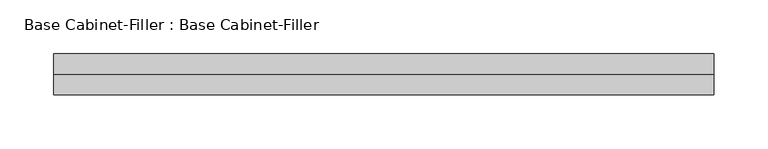
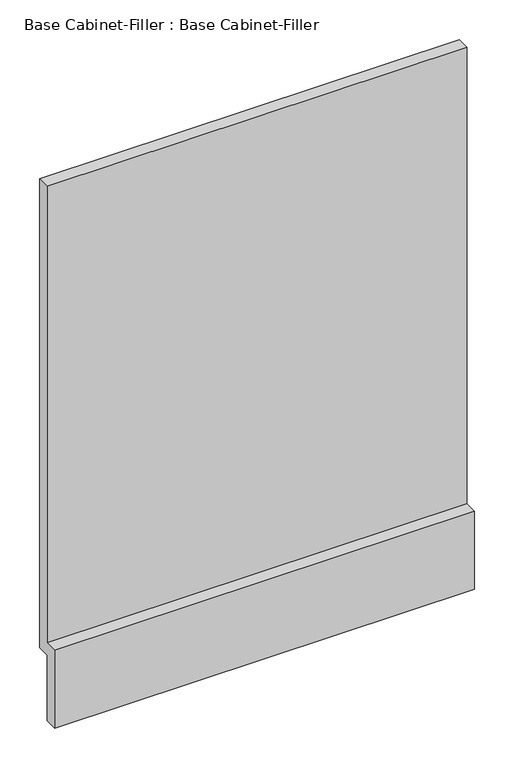
"""IFC4 building model written with IfcOpenShell, lengths in millimetres: furniture geometry, Base Cabinet-Filler : Base Cabinet-Filler."""

from ifc_helpers import new_model, si_unit, frame, origin, place, context, project, spatial, polyline, outline, extrude, source, transform, mapped, element, save


def base_cabinet_filler_base_cabinet_filler_bd7416cc(model_context):
    return source(origin(), model_context, "Body", "SweptSolid", [
        extrude(outline(polyline([(590.55, 101.6), (571.5, 101.6), (571.5, 0.0), (552.45, 0.0), (552.45, 120.65), (571.5, 120.65), (571.5, 825.5), (590.55, 825.5), (590.55, 101.6)])), frame((-287.9200787, 0.0, 0.0), z_axis=(1.0, 0.0, 0.0), x_axis=(0.0, 1.0, 0.0)), (0.0, 0.0, 1.0), 613.3155672),
    ])


if __name__ == "__main__":
    model = new_model("IFC4")
    model_context = context("Model", 3, world=origin())
    ifc_project = project(units=[si_unit("LENGTHUNIT", "METRE", prefix="MILLI")], contexts=[model_context])
    site = spatial("IfcSite", under=ifc_project)
    building = spatial("IfcBuilding", under=site)
    placement = place(None, origin())
    base_cabinet_filler_base_cabinet_filler_shape = base_cabinet_filler_base_cabinet_filler_bd7416cc(model_context)
    element("IfcFurniture", 1, ObjectType="Base Cabinet-Filler : Base Cabinet-Filler", at=placement, inside=building, context=model_context, shape_type="MappedRepresentation", body=[
        mapped(base_cabinet_filler_base_cabinet_filler_shape, transform((0.0, 0.0, 0.0), x_axis=(1.0, 0.0, 0.0), y_axis=(0.0, 1.0, 0.0), z_axis=(0.0, 0.0, 1.0))),
    ])
    save(model, "model.ifc")
